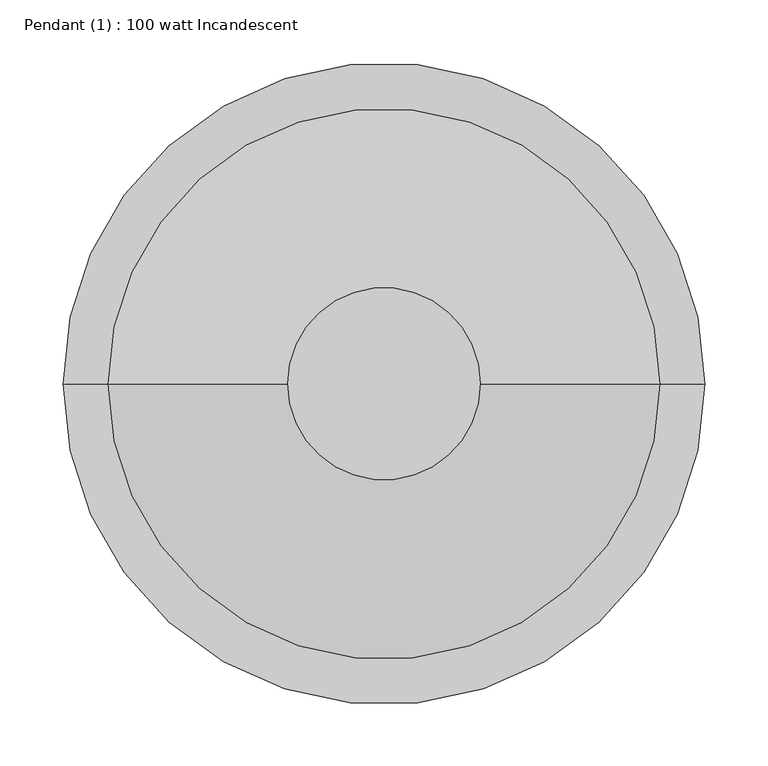
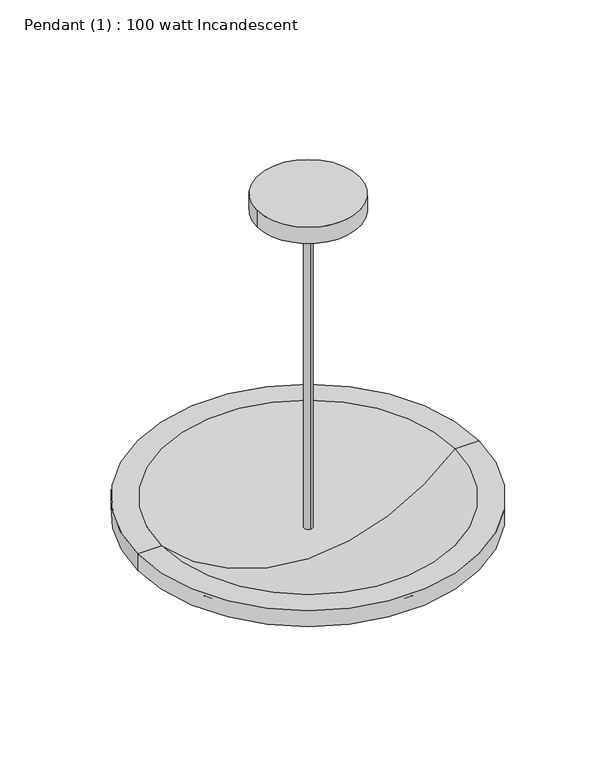
"""IFC4 building model written with IfcOpenShell, lengths in millimetres: light fixture geometry, Pendant (1) : 100 watt Incandescent."""

from ifc_helpers import new_model, si_unit, point, frame, origin, place, context, project, spatial, polyline, circle_curve, ellipse_curve, trimmed, source, transform, mapped, element, save
from ifc_brep_helpers import plane_surface, cylinder_surface, revolved_surface, advanced_brep


def pendant_1_100_watt_incandescent_b214ee69(model_context):
    return source(origin(), model_context, "Body", "AdvancedBrep", [
        advanced_brep(
        [(76.2, 0.0, 2438.4), (-76.2, 0.0, 2438.4), (0.0, 6.35, 1914.6000062), (0.0, -6.35, 1914.6000062), (0.0, -6.35, 2380.4284101), (-6.35, 0.0, 2380.4284101), (0.0, 6.35, 2380.4284101), (6.35, 0.0, 2380.4284101), (76.2, 0.0, 2413.0), (-76.2, 0.0, 2413.0)],
        [
            (0, 1, circle_curve(frame((0.0, 0.0, 2438.4), z_axis=(0.0, 0.0, 1.0), x_axis=(-1.0, 0.0, 0.0)), 76.2)),
            (1, 0, circle_curve(frame((0.0, 0.0, 2438.4), z_axis=(0.0, 0.0, 1.0), x_axis=(-1.0, 0.0, 0.0)), 76.2)),
            (2, 3, circle_curve(frame((0.0, 0.0, 1914.6000062), z_axis=(0.0, 0.0, -1.0), x_axis=(0.0, -1.0, 0.0)), 6.35)),
            (3, 2, circle_curve(frame((0.0, 0.0, 1914.6000062), z_axis=(0.0, 0.0, -1.0), x_axis=(0.0, -1.0, 0.0)), 6.35)),
            (3, 4),
            (4, 5, circle_curve(frame((0.0, 0.0, 2380.4284101), z_axis=(0.0, 0.0, -1.0), x_axis=(0.0, -1.0, 0.0)), 6.35)),
            (5, 6, circle_curve(frame((0.0, 0.0, 2380.4284101), z_axis=(0.0, 0.0, -1.0), x_axis=(0.0, -1.0, 0.0)), 6.35)),
            (6, 2),
            (6, 7, circle_curve(frame((0.0, 0.0, 2380.4284101), z_axis=(0.0, 0.0, -1.0), x_axis=(0.0, -1.0, 0.0)), 6.35)),
            (7, 4, circle_curve(frame((0.0, 0.0, 2380.4284101), z_axis=(0.0, 0.0, -1.0), x_axis=(0.0, -1.0, 0.0)), 6.35)),
            (8, 9, circle_curve(frame((0.0, 0.0, 2413.0), z_axis=(0.0, 0.0, 1.0), x_axis=(-1.0, 0.0, 0.0)), 76.2)),
            (9, 1),
            (0, 8),
            (9, 8, circle_curve(frame((0.0, 0.0, 2413.0), z_axis=(0.0, 0.0, 1.0), x_axis=(-1.0, 0.0, 0.0)), 76.2)),
            (8, 7),
            (5, 9),
        ],
        [
            plane_surface(frame((0.0, -6.35, 2438.4), z_axis=(0.0, 0.0, 1.0), x_axis=(1.0, 0.0, 0.0))),
            plane_surface(frame((0.0, -6.35, 1914.6000062), z_axis=(0.0, 0.0, -1.0), x_axis=(-1.0, 0.0, 0.0))),
            cylinder_surface(frame((0.0, 0.0, 1914.6000062), z_axis=(0.0, 0.0, 1.0), x_axis=(0.0, -1.0, 0.0)), 6.35),
            cylinder_surface(frame((0.0, 0.0, 2514.6), z_axis=(0.0, 0.0, -1.0), x_axis=(-1.0, 0.0, 0.0)), 76.2),
            revolved_surface(polyline([(-76.2, 0.0, 2413.0), (0.0, 0.0, 2377.4673564)]), (0.0, 0.0, 2514.6), (0.0, 0.0, -1.0)),
        ],
        [
            (0, [[1, 2]]),
            (1, [[3, 4]]),
            (2, [[-4, 5, 6, 7, 8]]),
            (2, [[-3, -8, 9, 10, -5]]),
            (3, [[11, 12, -1, 13]]),
            (3, [[-12, 14, -13, -2]]),
            (4, [[-11, 15, -9, -7, 16]]),
            (4, [[-14, -16, -6, -10, -15]]),
        ],
    ),
        advanced_brep(
        [(0.0, 0.0, 1838.3999938), (-228.9004272, 0.0, 1935.1282446), (228.9004272, 0.0, 1935.1282446), (218.3605921, 0.0, 1960.6510876), (-218.3605921, 0.0, 1960.6510876), (0.0, 0.0, 1863.7666257), (254.3004272, 0.0, 1960.6510876), (-254.3004272, 0.0, 1960.6510876), (254.3004272, 0.0, 1935.1282446), (-254.3004272, 0.0, 1935.1282446)],
        [
            (0, 1, circle_curve(frame((5.6276544, 0.0, 2170.9197309), z_axis=(0.0, 1.0, 0.0), x_axis=(0.0, 0.0, -1.0)), 332.5673556)),
            (1, 2, circle_curve(frame((0.0, 0.0, 1935.1282446), z_axis=(0.0, 0.0, -1.0), x_axis=(-1.0, 0.0, 0.0)), 228.9004272)),
            (2, 0, circle_curve(frame((-5.6276544, 0.0, 2170.9197309), z_axis=(0.0, 1.0, 0.0), x_axis=(0.0, 0.0, -1.0)), 332.5673556)),
            (2, 1, circle_curve(frame((0.0, 0.0, 1935.1282446), z_axis=(0.0, 0.0, -1.0), x_axis=(-1.0, 0.0, 0.0)), 228.9004272)),
            (3, 4, circle_curve(frame((0.0, 0.0, 1960.6510876), z_axis=(0.0, 0.0, 1.0), x_axis=(-1.0, 0.0, 0.0)), 218.3605921)),
            (4, 5, circle_curve(frame((7.2507854, 0.0, 2174.6241026), z_axis=(0.0, -1.0, 0.0), x_axis=(0.0, 0.0, -1.0)), 310.9420281)),
            (5, 3, circle_curve(frame((-7.2507854, 0.0, 2174.6241026), z_axis=(0.0, -1.0, 0.0), x_axis=(0.0, 0.0, -1.0)), 310.9420281)),
            (4, 3, circle_curve(frame((0.0, 0.0, 1960.6510876), z_axis=(0.0, 0.0, 1.0), x_axis=(-1.0, 0.0, 0.0)), 218.3605921)),
            (6, 7, circle_curve(frame((0.0, 0.0, 1960.6510876), z_axis=(0.0, 0.0, 1.0), x_axis=(-1.0, 0.0, 0.0)), 254.3004272)),
            (7, 4),
            (3, 6),
            (7, 6, circle_curve(frame((0.0, 0.0, 1960.6510876), z_axis=(0.0, 0.0, 1.0), x_axis=(-1.0, 0.0, 0.0)), 254.3004272)),
            (8, 9, circle_curve(frame((0.0, 0.0, 1935.1282446), z_axis=(0.0, 0.0, 1.0), x_axis=(-1.0, 0.0, 0.0)), 254.3004272)),
            (9, 7),
            (6, 8),
            (9, 8, circle_curve(frame((0.0, 0.0, 1935.1282446), z_axis=(0.0, 0.0, 1.0), x_axis=(-1.0, 0.0, 0.0)), 254.3004272)),
            (1, 9),
            (8, 2),
        ],
        [
            revolved_surface(trimmed(ellipse_curve(frame((5.6276544, 0.0, 2170.9197309), z_axis=(0.0, -1.0, 0.0), x_axis=(0.0, 0.0, -1.0)), 332.5673556, 332.5673556), [point((-228.9004272, 0.0, 1935.1282446))], [point((0.0, 0.0, 1838.3999938))], True, "CARTESIAN"), (0.0, 0.0, 2011.4510876), (0.0, 0.0, -1.0)),
            revolved_surface(trimmed(ellipse_curve(frame((7.2507854, 0.0, 2174.6241026), z_axis=(0.0, 1.0, 0.0), x_axis=(0.0, 0.0, -1.0)), 310.9420281, 310.9420281), [point((0.0, 0.0, 1863.7666257))], [point((-218.3605921, 0.0, 1960.6510876))], True, "CARTESIAN"), (0.0, 0.0, 2011.4510876), (0.0, 0.0, -1.0)),
            plane_surface(frame((0.0, 0.0, 1960.6510876), z_axis=(0.0, 0.0, 1.0), x_axis=(-1.0, 0.0, 0.0))),
            cylinder_surface(frame((0.0, 0.0, 2011.4510876), z_axis=(0.0, 0.0, -1.0), x_axis=(-1.0, 0.0, 0.0)), 254.3004272),
            plane_surface(frame((0.0, 0.0, 1935.1282446), z_axis=(0.0, 0.0, -1.0), x_axis=(-1.0, 0.0, 0.0))),
        ],
        [
            (0, [[1, 2, 3]]),
            (0, [[-3, 4, -1]]),
            (1, [[5, 6, 7]]),
            (1, [[8, -7, -6]]),
            (2, [[9, 10, -5, 11]]),
            (2, [[12, -11, -8, -10]]),
            (3, [[13, 14, -9, 15]]),
            (3, [[16, -15, -12, -14]]),
            (4, [[-2, 17, -13, 18]]),
            (4, [[-4, -18, -16, -17]]),
        ],
    ),
    ])


if __name__ == "__main__":
    model = new_model("IFC4")
    model_context = context("Model", 3, world=origin())
    ifc_project = project(units=[si_unit("LENGTHUNIT", "METRE", prefix="MILLI")], contexts=[model_context])
    site = spatial("IfcSite", under=ifc_project)
    building = spatial("IfcBuilding", under=site)
    placement = place(None, origin())
    pendant_1_100_watt_incandescent_shape = pendant_1_100_watt_incandescent_b214ee69(model_context)
    element("IfcLightFixture", 1, ObjectType="Pendant (1) : 100 watt Incandescent", at=placement, inside=building, context=model_context, shape_type="MappedRepresentation", body=[
        mapped(pendant_1_100_watt_incandescent_shape, transform((0.0, 0.0, 0.0), x_axis=(1.0, 0.0, 0.0), y_axis=(0.0, 1.0, 0.0), z_axis=(0.0, 0.0, 1.0))),
    ])
    save(model, "model.ifc")
